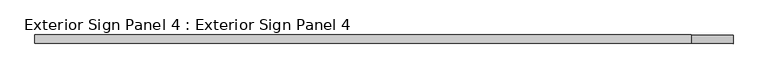
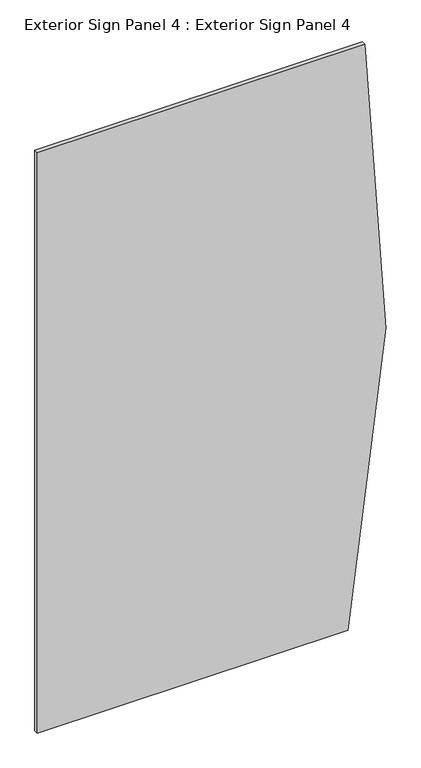
"""IFC4 building model written with IfcOpenShell, lengths in millimetres: proxy geometry, Exterior Sign Panel 4 : Exterior Sign Panel 4."""

import ifcopenshell
import ifcopenshell.guid

model = None  # the IFC model being written
_history = None  # IfcOwnerHistory: only IFC2X3 demands one
_inside = {}  # id of a spatial element -> (the spatial element, [elements in it])
_under = {}  # id of a project, library or spatial element -> (it, [spatial elements below it])
_declared = {}  # id of a project -> (the project, [libraries it declares])
_typed = {}  # id of a type object -> (the type object, [elements of that type])
_made_of = {}  # id of a material, layer set ... -> (it, [elements and type objects made of it])


def new_model(schema):
    """Start an empty IFC model of exactly this schema.

    Asked for "IFC4X3", IfcOpenShell would pick the latest addendum, in which some entities
    have other attributes; the version numbers below select the first issue.
    IFC2X3 requires an IfcOwnerHistory on every rooted entity: one is made here for all.
    """
    global model, _history
    if schema == "IFC4X3":
        model = ifcopenshell.file(schema_version=(4, 3, 0, 0))
    else:
        model = ifcopenshell.file(schema=schema)
    _inside.clear()
    _under.clear()
    _declared.clear()
    _typed.clear()
    _made_of.clear()
    _history = None
    if model.schema == "IFC2X3":
        org = make("IfcOrganization", Name="unknown")
        user = make(
            "IfcPersonAndOrganization",
            ThePerson=make("IfcPerson", FamilyName="unknown"),
            TheOrganization=org,
        )
        app = make(
            "IfcApplication",
            ApplicationDeveloper=org,
            Version="unknown",
            ApplicationFullName="unknown",
            ApplicationIdentifier="unknown",
        )
        _history = make(
            "IfcOwnerHistory",
            OwningUser=user,
            OwningApplication=app,
            ChangeAction="ADDED",
            CreationDate=0,
        )
    return model


def make(cls, **values):
    """One entity of the class cls with the attributes given. An attribute that is None is left unset."""
    return model.create_entity(
        cls, **{name: value for name, value in values.items() if value is not None}
    )


def rooted(cls, **values):
    """An entity with a GlobalId (a new one), such as an element, a storey or a relation."""
    return make(cls, GlobalId=ifcopenshell.guid.new(), OwnerHistory=_history, **values)


def si_unit(unit_type, name, prefix=None):
    """IfcSIUnit, for example si_unit("LENGTHUNIT", "METRE", prefix="MILLI")."""
    return make("IfcSIUnit", UnitType=unit_type, Prefix=prefix, Name=name)


def assignment(units):
    """IfcUnitAssignment: the units of a project."""
    return None if units is None else make("IfcUnitAssignment", Units=units)


def point(xyz):
    """IfcCartesianPoint."""
    return None if xyz is None else make("IfcCartesianPoint", Coordinates=xyz)


def direction(xyz):
    """IfcDirection."""
    return None if xyz is None else make("IfcDirection", DirectionRatios=xyz)


def frame(location, z_axis=None, x_axis=None):
    """IfcAxis2Placement3D, a coordinate frame: its origin and axes. An axis left out is left unset."""
    return make(
        "IfcAxis2Placement3D",
        Location=point(location),
        Axis=direction(z_axis),
        RefDirection=direction(x_axis),
    )


def frame_2d(location, x_axis=None):
    """IfcAxis2Placement2D, a coordinate frame in the plane: its origin and x axis."""
    return make(
        "IfcAxis2Placement2D", Location=point(location), RefDirection=direction(x_axis)
    )


def origin():
    """The frame at (0, 0, 0) with its axes left unset."""
    return frame((0.0, 0.0, 0.0))


def place(relative_to, where):
    """IfcLocalPlacement: puts the frame where relative to a parent placement (None: the world)."""
    return make(
        "IfcLocalPlacement", PlacementRelTo=relative_to, RelativePlacement=where
    )


def context(
    kind, dimensions, precision=None, world=None, true_north=None, identifier=None
):
    """IfcGeometricRepresentationContext, for example the 3D "Model" context."""
    return make(
        "IfcGeometricRepresentationContext",
        ContextIdentifier=identifier,
        ContextType=kind,
        CoordinateSpaceDimension=dimensions,
        Precision=precision,
        WorldCoordinateSystem=world,
        TrueNorth=true_north,
    )


def project(units=None, contexts=None):
    """IfcProject with its units and contexts."""
    return rooted(
        "IfcProject",
        Name="project",
        RepresentationContexts=contexts,
        UnitsInContext=assignment(units),
    )


def spatial(cls, under=None, at=None, **own):
    """A site, building, storey or space (cls), placed at a placement, below another one or the project."""
    s = rooted(cls, ObjectPlacement=at, **own)
    if under is not None:
        _under.setdefault(under.id(), (under, []))[1].append(s)
    return s


def polyline(points):
    """IfcPolyline through the points."""
    return make("IfcPolyline", Points=[point(p) for p in points])


def circle_curve(where, radius):
    """IfcCircle in the frame where."""
    return make("IfcCircle", Position=where, Radius=radius)


def trimmed(basis, trim1, trim2, sense, master):
    """IfcTrimmedCurve: the piece of a basis curve between two trims."""
    return make(
        "IfcTrimmedCurve",
        BasisCurve=basis,
        Trim1=trim1,
        Trim2=trim2,
        SenseAgreement=sense,
        MasterRepresentation=master,
    )


def segment(curve, same_sense, transition):
    """IfcCompositeCurveSegment."""
    return make(
        "IfcCompositeCurveSegment",
        Transition=transition,
        SameSense=same_sense,
        ParentCurve=curve,
    )


def composite_curve(segments, self_intersect=None):
    """IfcCompositeCurve: segments joined end to end."""
    return make("IfcCompositeCurve", Segments=segments, SelfIntersect=self_intersect)


def outline(outer, holes=None, kind="AREA"):
    """IfcArbitraryClosedProfileDef: a profile drawn as a closed curve; with holes, ...WithVoids."""
    if holes is None:
        return make("IfcArbitraryClosedProfileDef", ProfileType=kind, OuterCurve=outer)
    return make(
        "IfcArbitraryProfileDefWithVoids",
        ProfileType=kind,
        OuterCurve=outer,
        InnerCurves=holes,
    )


def extrude(swept, where, along, depth):
    """IfcExtrudedAreaSolid: the profile swept, set in the frame where, extruded along a direction by depth."""
    return make(
        "IfcExtrudedAreaSolid",
        SweptArea=swept,
        Position=where,
        ExtrudedDirection=direction(along),
        Depth=depth,
    )


def shape(context_of_items, identifier, shape_type, items):
    """IfcShapeRepresentation: the items that make up one representation, for example the "Body"."""
    return make(
        "IfcShapeRepresentation",
        ContextOfItems=context_of_items,
        RepresentationIdentifier=identifier,
        RepresentationType=shape_type,
        Items=items,
    )


def source(mapping_origin, context_of_items, identifier, shape_type, items):
    """IfcRepresentationMap: a shape defined once, which mapped items show again and again."""
    return make(
        "IfcRepresentationMap",
        MappingOrigin=mapping_origin,
        MappedRepresentation=shape(context_of_items, identifier, shape_type, items),
    )


def transform(
    local_origin,
    x_axis=None,
    y_axis=None,
    z_axis=None,
    scale=None,
    scale2=None,
    scale3=None,
    uniform=True,
):
    """IfcCartesianTransformationOperator3D, or its non-uniform kind. x_axis, y_axis, z_axis: its Axis1, 2, 3."""
    if uniform:
        return make(
            "IfcCartesianTransformationOperator3D",
            Axis1=direction(x_axis),
            Axis2=direction(y_axis),
            LocalOrigin=point(local_origin),
            Scale=scale,
            Axis3=direction(z_axis),
        )
    return make(
        "IfcCartesianTransformationOperator3DnonUniform",
        Axis1=direction(x_axis),
        Axis2=direction(y_axis),
        LocalOrigin=point(local_origin),
        Scale=scale,
        Axis3=direction(z_axis),
        Scale2=scale2,
        Scale3=scale3,
    )


def mapped(mapping_source, mapping_target):
    """IfcMappedItem: shows the shape of a source again, moved by a transform."""
    return make(
        "IfcMappedItem", MappingSource=mapping_source, MappingTarget=mapping_target
    )


def made_of(thing, what):
    """Note that an element or type object is made of a material, layer set ...; save() writes the relation."""
    if what is not None:
        _made_of.setdefault(what.id(), (what, []))[1].append(thing)
    return thing


def element(
    cls,
    number,
    at=None,
    inside=None,
    cuts=None,
    type_object=None,
    material=None,
    context=None,
    identifier="Body",
    shape_type=None,
    held_by="IfcProductDefinitionShape",
    body=None,
    shapes=None,
    **own,
):
    """One element of the class cls, such as IfcWall. Its Tag is "e" and its number.

    at: its placement. inside: the storey or other place that contains it. cuts: it is an
    opening in that element (IfcRelVoidsElement). A single representation is given by context,
    identifier, shape_type and body (its items); several are given by shapes. held_by: the class
    of the entity that holds the representations. save() writes the other relations.
    """
    e = rooted(cls, Tag="e%d" % number, ObjectPlacement=at, **own)
    if body is not None:
        shapes = [shape(context, identifier, shape_type, body)]
    if shapes is not None:
        e.Representation = make(held_by, Representations=shapes)
    if inside is not None:
        _inside.setdefault(inside.id(), (inside, []))[1].append(e)
    if cuts is not None:
        rooted(
            "IfcRelVoidsElement", RelatingBuildingElement=cuts, RelatedOpeningElement=e
        )
    if type_object is not None:
        _typed.setdefault(type_object.id(), (type_object, []))[1].append(e)
    return made_of(e, material)


def aggregate(whole, parts):
    """IfcRelAggregates: a whole, such as a stair, and the parts it consists of."""
    return rooted("IfcRelAggregates", RelatingObject=whole, RelatedObjects=parts)


def save(model, path):
    """Write the relations noted so far, then the file.

    IfcRelAggregates (storeys below a building ...), IfcRelContainedInSpatialStructure (elements
    in a storey), IfcRelDefinesByType, IfcRelAssociatesMaterial and IfcRelDeclares: one each for
    every whole, place, type object, material and project.
    """
    for whole, parts in _under.values():
        aggregate(whole, parts)
    for where, things in _inside.values():
        rooted(
            "IfcRelContainedInSpatialStructure",
            RelatedElements=things,
            RelatingStructure=where,
        )
    for kind, things in _typed.values():
        rooted("IfcRelDefinesByType", RelatedObjects=things, RelatingType=kind)
    for what, things in _made_of.values():
        rooted("IfcRelAssociatesMaterial", RelatedObjects=things, RelatingMaterial=what)
    for by, libraries in _declared.values():
        rooted("IfcRelDeclares", RelatingContext=by, RelatedDefinitions=libraries)
    model.write(path)


def exterior_sign_panel_4_exterior_sign_panel_4_c2bf0bb8(model_context):
    return source(origin(), model_context, "Body", "SweptSolid", [
        extrude(outline(composite_curve([segment(trimmed(circle_curve(frame_2d((1721.9640535, 225386.0853488)), 4808.7076682), [point((677.1592564, 230079.9166596))], [point((2505.9592564, 230130.4526364))], False, "CARTESIAN"), True, "CONTINUOUS"), segment(polyline([(2505.9592564, 230130.4526364), (2505.9592564, 229153.2228488), (677.1592564, 229153.2228488), (677.1592564, 230079.9166596)]), True, "CONTINUOUS")], self_intersect=False)), frame((0.0, 157576.0096581, 0.0), z_axis=(0.0, 1.0, 0.0), x_axis=(0.0, 0.0, 1.0)), (0.0, 0.0, 1.0), 12.7),
    ])


if __name__ == "__main__":
    model = new_model("IFC4")
    model_context = context("Model", 3, world=origin())
    ifc_project = project(units=[si_unit("LENGTHUNIT", "METRE", prefix="MILLI")], contexts=[model_context])
    site = spatial("IfcSite", under=ifc_project)
    building = spatial("IfcBuilding", under=site)
    placement = place(None, origin())
    exterior_sign_panel_4_exterior_sign_panel_4_shape = exterior_sign_panel_4_exterior_sign_panel_4_c2bf0bb8(model_context)
    element("IfcBuildingElementProxy", 1, Name="Exterior Sign Panel 4 : Exterior Sign Panel 4", ObjectType="Exterior Sign Panel 4 : Exterior Sign Panel 4", at=placement, inside=building, context=model_context, shape_type="MappedRepresentation", body=[
        mapped(exterior_sign_panel_4_exterior_sign_panel_4_shape, transform((0.0, 0.0, 0.0), x_axis=(1.0, 0.0, 0.0), y_axis=(0.0, 1.0, 0.0), z_axis=(0.0, 0.0, 1.0))),
    ])
    save(model, "model.ifc")
